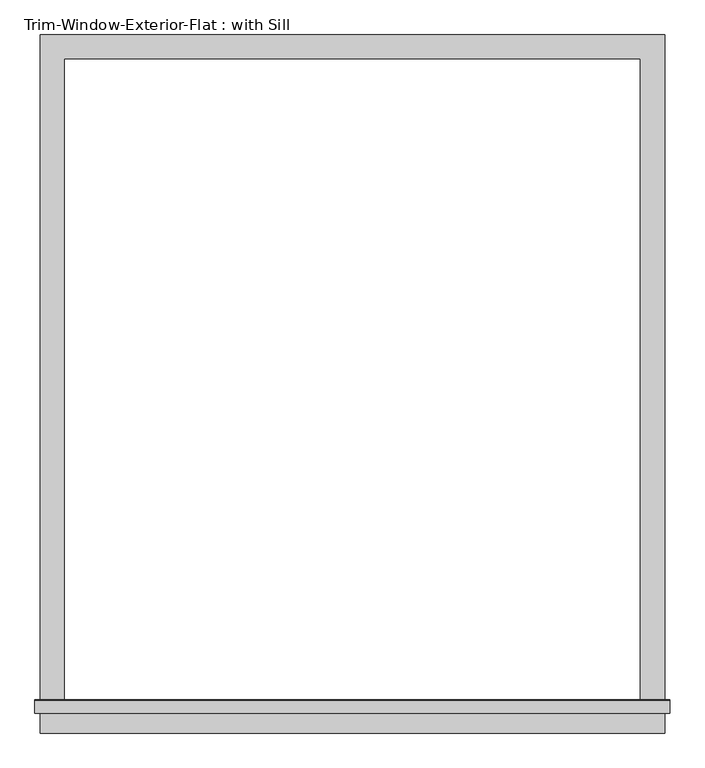
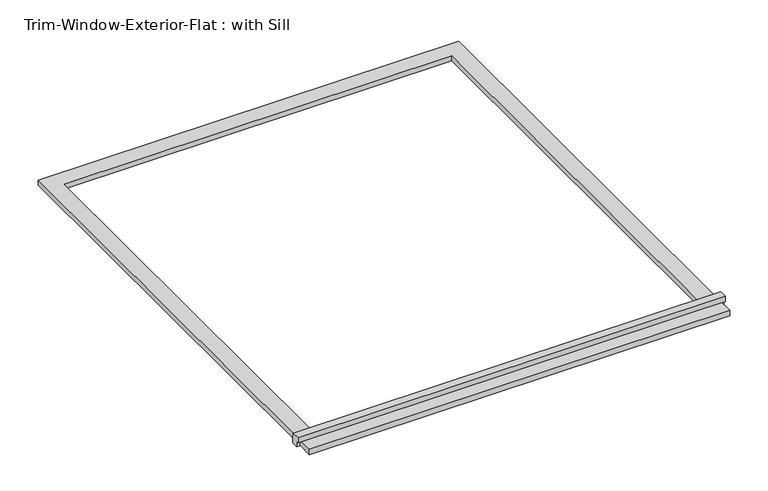
"""IFC4 building model written with IfcOpenShell, lengths in millimetres: proxy geometry, Trim-Window-Exterior-Flat : with Sill."""

from ifc_helpers import new_model, si_unit, frame, origin, origin_with_axes, place, context, project, spatial, polyline, outline, extrude, source, transform, mapped, element, save


def trim_window_exterior_flat_with_sill_07ce7cb5(model_context):
    return source(origin(), model_context, "Body", "SweptSolid", [
        extrude(outline(polyline([(742.95, -1546.1823709), (742.95, -1603.3323709), (-742.95, -1603.3323709), (-742.95, -1546.1823709), (742.95, -1546.1823709)])), origin_with_axes(), (0.0, 0.0, 1.0), 19.05),
        extrude(outline(polyline([(-1555.75, 38.1), (-1526.4580645, 38.1), (-1524.0, 19.05), (-1524.0, 0.0), (-1546.1823709, 0.0), (-1546.1823709, 19.05), (-1555.75, 19.05), (-1555.75, 38.1)])), frame((-755.65, 0.0, 0.0), z_axis=(1.0, 0.0, 0.0), x_axis=(0.0, 1.0, 0.0)), (0.0, 0.0, 1.0), 1511.3),
        extrude(outline(polyline([(-742.95, 57.15), (742.95, 57.15), (742.95, -1524.0), (685.8, -1524.0), (685.8, 0.0), (-685.8, 0.0), (-685.8, -1524.0), (-742.95, -1524.0), (-742.95, 57.15)])), origin_with_axes(), (0.0, 0.0, 1.0), 19.05),
    ])


if __name__ == "__main__":
    model = new_model("IFC4")
    model_context = context("Model", 3, world=origin())
    ifc_project = project(units=[si_unit("LENGTHUNIT", "METRE", prefix="MILLI")], contexts=[model_context])
    site = spatial("IfcSite", under=ifc_project)
    building = spatial("IfcBuilding", under=site)
    placement = place(None, origin())
    trim_window_exterior_flat_with_sill_shape = trim_window_exterior_flat_with_sill_07ce7cb5(model_context)
    element("IfcBuildingElementProxy", 1, Name="Trim-Window-Exterior-Flat : with Sill", ObjectType="Trim-Window-Exterior-Flat : with Sill", at=placement, inside=building, context=model_context, shape_type="MappedRepresentation", body=[
        mapped(trim_window_exterior_flat_with_sill_shape, transform((0.0, 0.0, 0.0), x_axis=(1.0, 0.0, 0.0), y_axis=(0.0, 1.0, 0.0), z_axis=(0.0, 0.0, 1.0))),
    ])
    save(model, "model.ifc")
